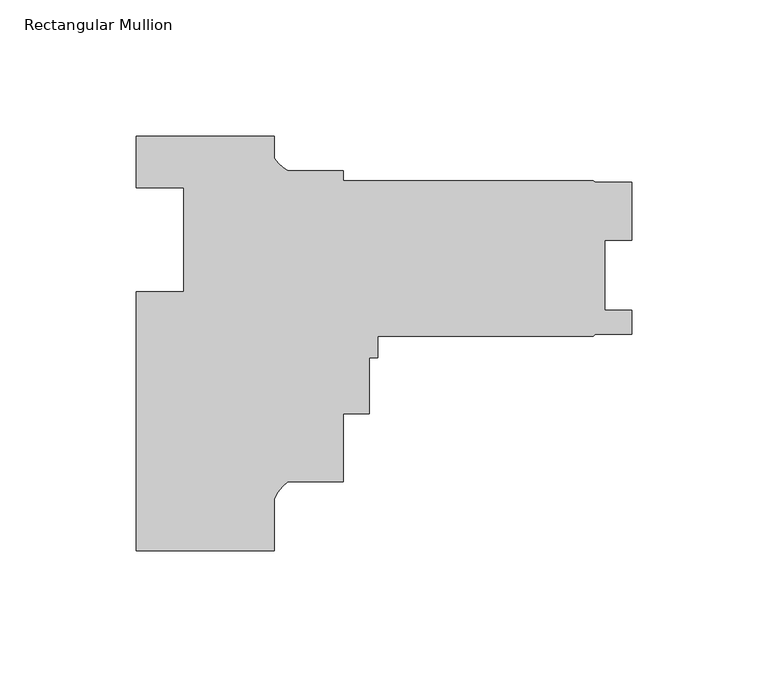
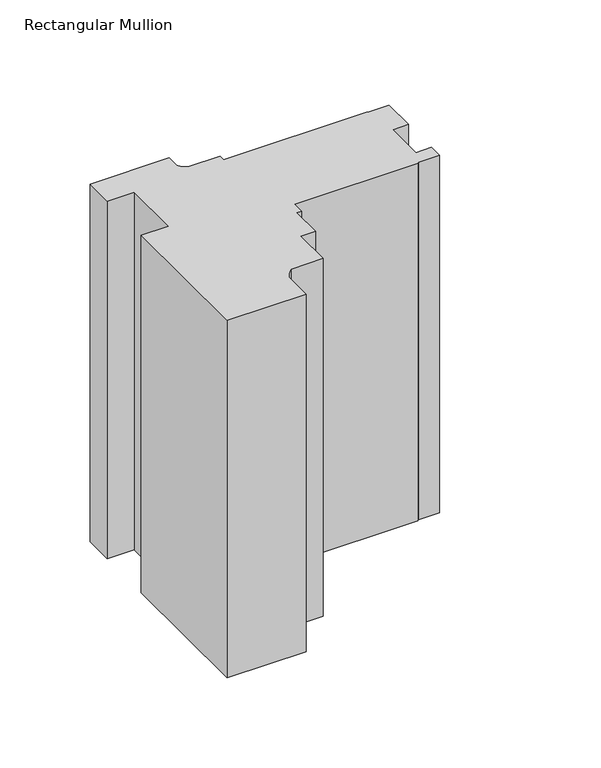
"""IFC4 building model written with IfcOpenShell, lengths in millimetres: member geometry, Rectangular Mullion."""

from ifc_helpers import new_model, si_unit, point, frame, frame_2d, origin, place, context, project, spatial, polyline, circle_curve, trimmed, segment, composite_curve, outline, extrude, source, transform, mapped, element, save


def rectangular_mullion_17bb5d4a(model_context):
    return source(origin(), model_context, "Body", "SweptSolid", [
        extrude(outline(composite_curve([segment(polyline([(-25.4, 19.05), (25.4, 19.05), (25.4, 10.8158832)]), True, "CONTINUOUS"), segment(trimmed(circle_curve(frame_2d((37.3094465, 18.843072)), 14.3621265), [point((25.4, 10.8158832))], [point((30.3723453, 6.2674089))], True, "CARTESIAN"), True, "CONTINUOUS"), segment(polyline([(30.3723453, 6.2674089), (50.7999898, 6.2674089), (50.7999898, 2.5728645), (142.5927668, 2.5728645), (143.3616419, 2.1156646), (156.8675665, 2.1156646), (156.8675665, -19.3155855), (146.8345667, -19.3155855), (146.8345667, -45.0457855), (156.8802668, -45.0457855), (156.8802668, -53.7833855), (143.3865168, -53.7833855), (142.5927668, -54.5771355), (63.4999898, -54.5771355), (63.4999898, -62.3633911), (60.3249898, -62.3633911), (60.3249898, -82.9881911), (50.7999898, -82.9881911), (50.7999898, -108.0325911), (30.2934851, -108.0325911)]), True, "CONTINUOUS"), segment(trimmed(circle_curve(frame_2d((39.5144624, -120.3139521)), 15.3576772), [point((30.2934851, -108.0325911))], [point((25.4, -114.2608371))], True, "CARTESIAN"), True, "CONTINUOUS"), segment(polyline([(25.4, -114.2608371), (25.4, -133.35), (-25.4, -133.35), (-25.4, -38.1), (-7.9502, -38.1), (-7.9502, 0.0), (-25.4, 0.0), (-25.4, 19.05)]), True, "CONTINUOUS")], self_intersect=False)), frame((0.0, 0.0, -242.4757971), z_axis=(0.0, 0.0, 1.0), x_axis=(1.0, 0.0, 0.0)), (0.0, 0.0, 1.0), 242.4757971),
    ])


if __name__ == "__main__":
    model = new_model("IFC4")
    model_context = context("Model", 3, world=origin())
    ifc_project = project(units=[si_unit("LENGTHUNIT", "METRE", prefix="MILLI")], contexts=[model_context])
    site = spatial("IfcSite", under=ifc_project)
    building = spatial("IfcBuilding", under=site)
    placement = place(None, origin())
    rectangular_mullion_shape = rectangular_mullion_17bb5d4a(model_context)
    element("IfcMember", 1, ObjectType="Rectangular Mullion", at=placement, inside=building, context=model_context, shape_type="MappedRepresentation", body=[
        mapped(rectangular_mullion_shape, transform((0.0, 0.0, 0.0), x_axis=(1.0, 0.0, 0.0), y_axis=(0.0, 1.0, 0.0), z_axis=(0.0, 0.0, 1.0))),
    ])
    save(model, "model.ifc")
